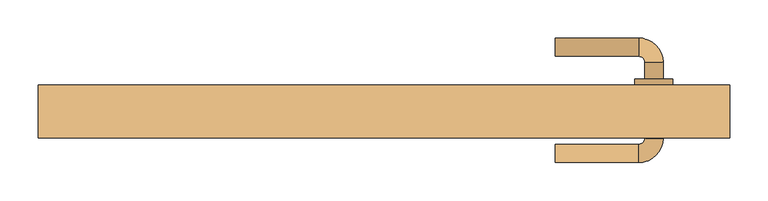
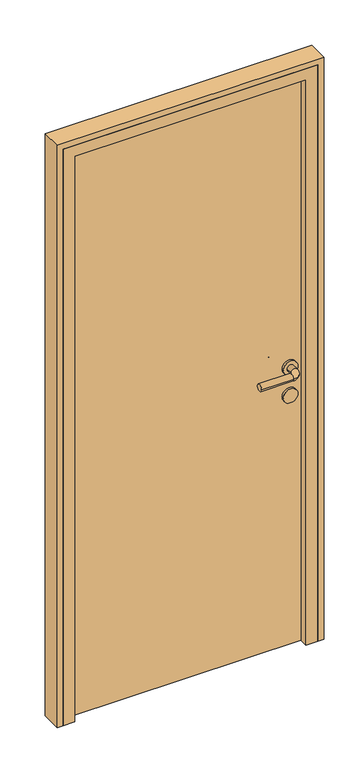
"""IFC4 building model written with IfcOpenShell, lengths in millimetres: door geometry."""

from ifc_helpers import new_model, si_unit, point, frame, frame_2d, origin, origin_with_axes, place, context, project, spatial, polyline, circle_curve, ellipse_curve, trimmed, segment, composite_curve, outline, extrude, faceted_brep, source, transform, mapped, element, save
from ifc_brep_helpers import plane_surface, cylinder_surface, revolved_surface, advanced_brep


def door_de14942c(model_context):
    return source(origin(), model_context, "Body", "SolidModel", [
        advanced_brep(
        [(225.0, 122.0, 1000.0), (225.0, 98.0, 1000.0), (335.0, 98.0, 1000.0), (335.0, 122.0, 1000.0), (343.0, 90.0, 1000.0), (367.0, 90.0, 1000.0), (367.0, -10.0, 1000.0), (367.0, 12.0, 1000.0), (343.0, 12.0, 1000.0), (343.0, -10.0, 1000.0), (343.0, 68.0, 1000.0), (367.0, 68.0, 1000.0), (335.0, -18.0, 1000.0), (335.0, -42.0, 1000.0), (225.0, -42.0, 1000.0), (225.0, -18.0, 1000.0), (330.0, 12.0, 1000.0), (380.0, 12.0, 1000.0), (330.0, 68.0, 1000.0), (380.0, 68.0, 1000.0)],
        [
            (0, 1, circle_curve(frame((225.0, 110.0, 1000.0), z_axis=(-1.0, 0.0, 0.0), x_axis=(0.0, -1.0, 0.0)), 12.0)),
            (1, 0, circle_curve(frame((225.0, 110.0, 1000.0), z_axis=(-1.0, 0.0, 0.0), x_axis=(0.0, -1.0, 0.0)), 12.0)),
            (1, 2),
            (2, 3, circle_curve(frame((335.0, 110.0, 1000.0), z_axis=(-1.0, 0.0, 0.0), x_axis=(0.0, -1.0, 0.0)), 12.0)),
            (3, 0),
            (3, 2, circle_curve(frame((335.0, 110.0, 1000.0), z_axis=(-1.0, 0.0, 0.0), x_axis=(0.0, -1.0, 0.0)), 12.0)),
            (2, 4, circle_curve(frame((335.0, 90.0, 1000.0), z_axis=(0.0, 0.0, -1.0), x_axis=(0.0, 1.0, 0.0)), 8.0)),
            (4, 5, circle_curve(frame((355.0, 90.0, 1000.0), z_axis=(0.0, 1.0, 0.0), x_axis=(-1.0, 0.0, 0.0)), 12.0)),
            (5, 3, circle_curve(frame((335.0, 90.0, 1000.0), z_axis=(0.0, 0.0, 1.0), x_axis=(0.0, 1.0, 0.0)), 32.0)),
            (5, 4, circle_curve(frame((355.0, 90.0, 1000.0), z_axis=(0.0, 1.0, 0.0), x_axis=(-1.0, 0.0, 0.0)), 12.0)),
            (6, 7),
            (7, 8, circle_curve(frame((355.0, 12.0, 1000.0), z_axis=(0.0, -1.0, 0.0), x_axis=(-1.0, 0.0, 0.0)), 12.0)),
            (8, 9),
            (9, 6, circle_curve(frame((355.0, -10.0, 1000.0), z_axis=(0.0, 1.0, 0.0), x_axis=(-1.0, 0.0, 0.0)), 12.0)),
            (4, 10),
            (10, 11, circle_curve(frame((355.0, 68.0, 1000.0), z_axis=(0.0, 1.0, 0.0), x_axis=(-1.0, 0.0, 0.0)), 12.0)),
            (11, 5),
            (11, 10, circle_curve(frame((355.0, 68.0, 1000.0), z_axis=(0.0, 1.0, 0.0), x_axis=(-1.0, 0.0, 0.0)), 12.0)),
            (8, 7, circle_curve(frame((355.0, 12.0, 1000.0), z_axis=(0.0, -1.0, 0.0), x_axis=(-1.0, 0.0, 0.0)), 12.0)),
            (6, 9, circle_curve(frame((355.0, -10.0, 1000.0), z_axis=(0.0, 1.0, 0.0), x_axis=(-1.0, 0.0, 0.0)), 12.0)),
            (9, 12, circle_curve(frame((335.0, -10.0, 1000.0), z_axis=(0.0, 0.0, -1.0), x_axis=(1.0, 0.0, 0.0)), 8.0)),
            (12, 13, circle_curve(frame((335.0, -30.0, 1000.0), z_axis=(1.0, 0.0, 0.0), x_axis=(0.0, 1.0, 0.0)), 12.0)),
            (13, 6, circle_curve(frame((335.0, -10.0, 1000.0), z_axis=(0.0, 0.0, 1.0), x_axis=(1.0, 0.0, 0.0)), 32.0)),
            (13, 12, circle_curve(frame((335.0, -30.0, 1000.0), z_axis=(1.0, 0.0, 0.0), x_axis=(0.0, 1.0, 0.0)), 12.0)),
            (14, 15, circle_curve(frame((225.0, -30.0, 1000.0), z_axis=(-1.0, 0.0, 0.0), x_axis=(0.0, 1.0, 0.0)), 12.0)),
            (15, 14, circle_curve(frame((225.0, -30.0, 1000.0), z_axis=(-1.0, 0.0, 0.0), x_axis=(0.0, 1.0, 0.0)), 12.0)),
            (12, 15),
            (14, 13),
            (16, 17, circle_curve(frame((355.0, 12.0, 1000.0), z_axis=(0.0, -1.0, 0.0), x_axis=(1.0, 0.0, 0.0)), 25.0)),
            (17, 16, circle_curve(frame((355.0, 12.0, 1000.0), z_axis=(0.0, -1.0, 0.0), x_axis=(1.0, 0.0, 0.0)), 25.0)),
            (18, 19, circle_curve(frame((355.0, 68.0, 1000.0), z_axis=(0.0, 1.0, 0.0), x_axis=(1.0, 0.0, 0.0)), 25.0)),
            (19, 18, circle_curve(frame((355.0, 68.0, 1000.0), z_axis=(0.0, 1.0, 0.0), x_axis=(1.0, 0.0, 0.0)), 25.0)),
            (17, 19),
            (18, 16),
        ],
        [
            plane_surface(frame((225.0, 110.0, 1000.0), z_axis=(-1.0, 0.0, 0.0), x_axis=(0.0, 0.0, 1.0))),
            cylinder_surface(frame((225.0, 110.0, 1000.0), z_axis=(-1.0, 0.0, 0.0), x_axis=(0.0, -1.0, 0.0)), 12.0),
            revolved_surface(trimmed(ellipse_curve(frame((335.0, 110.0, 1000.0), z_axis=(1.0, 0.0, 0.0), x_axis=(0.0, -1.0, 0.0)), 12.0, 12.0), [point((335.0, 122.0, 1000.0))], [point((335.0, 98.0, 1000.0))], True, "CARTESIAN"), (335.0, 90.0, 1000.0), (0.0, 0.0, 1.0)),
            revolved_surface(trimmed(ellipse_curve(frame((335.0, 110.0, 1000.0), z_axis=(1.0, 0.0, 0.0), x_axis=(0.0, -1.0, 0.0)), 12.0, 12.0), [point((335.0, 98.0, 1000.0))], [point((335.0, 122.0, 1000.0))], True, "CARTESIAN"), (335.0, 90.0, 1000.0), (0.0, 0.0, 1.0)),
            cylinder_surface(frame((355.0, 90.0, 1000.0), z_axis=(0.0, 1.0, 0.0), x_axis=(-1.0, 0.0, 0.0)), 12.0),
            revolved_surface(trimmed(ellipse_curve(frame((355.0, -10.0, 1000.0), z_axis=(0.0, -1.0, 0.0), x_axis=(-1.0, 0.0, 0.0)), 12.0, 12.0), [point((367.0, -10.0, 1000.0))], [point((343.0, -10.0, 1000.0))], True, "CARTESIAN"), (335.0, -10.0, 1000.0), (0.0, 0.0, 1.0)),
            revolved_surface(trimmed(ellipse_curve(frame((355.0, -10.0, 1000.0), z_axis=(0.0, -1.0, 0.0), x_axis=(-1.0, 0.0, 0.0)), 12.0, 12.0), [point((343.0, -10.0, 1000.0))], [point((367.0, -10.0, 1000.0))], True, "CARTESIAN"), (335.0, -10.0, 1000.0), (0.0, 0.0, 1.0)),
            plane_surface(frame((225.0, -30.0, 1000.0), z_axis=(-1.0, 0.0, 0.0), x_axis=(0.0, 0.0, 1.0))),
            cylinder_surface(frame((335.0, -30.0, 1000.0), z_axis=(1.0, 0.0, 0.0), x_axis=(0.0, 1.0, 0.0)), 12.0),
            plane_surface(frame((380.0, 12.0, 1000.0), z_axis=(0.0, -1.0, 0.0), x_axis=(0.0, 0.0, -1.0))),
            plane_surface(frame((380.0, 68.0, 1000.0), z_axis=(0.0, 1.0, 0.0), x_axis=(0.0, 0.0, 1.0))),
            cylinder_surface(frame((355.0, 12.0, 1000.0), z_axis=(0.0, 1.0, 0.0), x_axis=(1.0, 0.0, 0.0)), 25.0),
        ],
        [
            (0, [[1, 2]]),
            (1, [[3, 4, 5, -2]]),
            (1, [[-5, 6, -3, -1]]),
            (2, [[7, 8, 9, -4]]),
            (3, [[-9, 10, -7, -6]]),
            (4, [[11, 12, 13, 14]]),
            (4, [[15, 16, 17, -8]]),
            (4, [[-17, 18, -15, -10]]),
            (4, [[-13, 19, -11, 20]]),
            (5, [[21, 22, 23, -14]]),
            (6, [[-23, 24, -21, -20]]),
            (7, [[25, 26]]),
            (8, [[27, -25, 28, -22]]),
            (8, [[-28, -26, -27, -24]]),
            (9, [[29, 30], [-19, -12]]),
            (10, [[31, 32], [-18, -16]]),
            (11, [[33, -31, 34, -30]]),
            (11, [[-34, -32, -33, -29]]),
        ],
    ),
        extrude(outline(composite_curve([segment(trimmed(circle_curve(frame_2d((900.0, 355.0)), 25.0), [point((900.0, 330.0))], [point((900.0, 380.0))], False, "CARTESIAN"), True, "CONTINUOUS"), segment(trimmed(circle_curve(frame_2d((900.0, 355.0)), 25.0), [point((900.0, 380.0))], [point((900.0, 330.0))], False, "CARTESIAN"), True, "CONTINUOUS")], self_intersect=False)), frame((0.0, 12.0, 0.0), z_axis=(0.0, 1.0, 0.0), x_axis=(0.0, 0.0, 1.0)), (0.0, 0.0, 1.0), 56.0),
        extrude(outline(polyline([(405.0, 20.0), (-405.0, 20.0), (-405.0, 60.0), (405.0, 60.0), (405.0, 20.0)])), origin_with_axes(), (0.0, 0.0, 1.0), 2050.0),
        extrude(outline(polyline([(0.0, 455.0), (2100.0, 455.0), (2100.0, -455.0), (0.0, -455.0), (0.0, -435.0), (2080.0, -435.0), (2080.0, 435.0), (0.0, 435.0), (0.0, 455.0)])), frame((0.0, -10.0, 0.0), z_axis=(0.0, 1.0, 0.0), x_axis=(0.0, 0.0, 1.0)), (0.0, 0.0, 1.0), 70.0),
        faceted_brep([(-435.0, -10.0, 0.0), (-435.0, 60.0, 0.0), (-405.0, 60.0, 0.0), (-405.0, 20.0, 0.0), (-395.0, 20.0, 0.0), (-395.0, -10.0, 0.0), (-435.0, -10.0, 2080.0), (-435.0, 60.0, 2080.0), (435.0, 60.0, 2080.0), (435.0, 60.0, 0.0), (405.0, 60.0, 0.0), (405.0, 60.0, 2050.0), (-405.0, 60.0, 2050.0), (-405.0, 20.0, 2050.0), (405.0, 20.0, 2050.0), (405.0, 20.0, 0.0), (395.0, 20.0, 0.0), (395.0, 20.0, 2040.0), (-395.0, 20.0, 2040.0), (-395.0, -10.0, 2040.0), (395.0, -10.0, 2040.0), (395.0, -10.0, 0.0), (435.0, -10.0, 0.0), (435.0, -10.0, 2080.0)], [[[0, 1, 2, 3, 4, 5]], [[1, 0, 6, 7]], [[2, 1, 7, 8, 9, 10, 11, 12]], [[3, 2, 12, 13]], [[4, 3, 13, 14, 15, 16, 17, 18]], [[5, 4, 18, 19]], [[0, 5, 19, 20, 21, 22, 23, 6]], [[7, 6, 23, 8]], [[13, 12, 11, 14]], [[19, 18, 17, 20]], [[22, 21, 16, 15, 10, 9]], [[8, 23, 22, 9]], [[14, 11, 10, 15]], [[20, 17, 16, 21]]]),
    ])


if __name__ == "__main__":
    model = new_model("IFC4")
    model_context = context("Model", 3, world=origin())
    ifc_project = project(units=[si_unit("LENGTHUNIT", "METRE", prefix="MILLI")], contexts=[model_context])
    site = spatial("IfcSite", under=ifc_project)
    building = spatial("IfcBuilding", under=site)
    placement = place(None, origin())
    door_shape = door_de14942c(model_context)
    element("IfcDoor", 1, at=placement, inside=building, context=model_context, shape_type="MappedRepresentation", body=[
        mapped(door_shape, transform((0.0, 0.0, 0.0), x_axis=(1.0, 0.0, 0.0), y_axis=(0.0, 1.0, 0.0), z_axis=(0.0, 0.0, 1.0))),
    ])
    save(model, "model.ifc")
